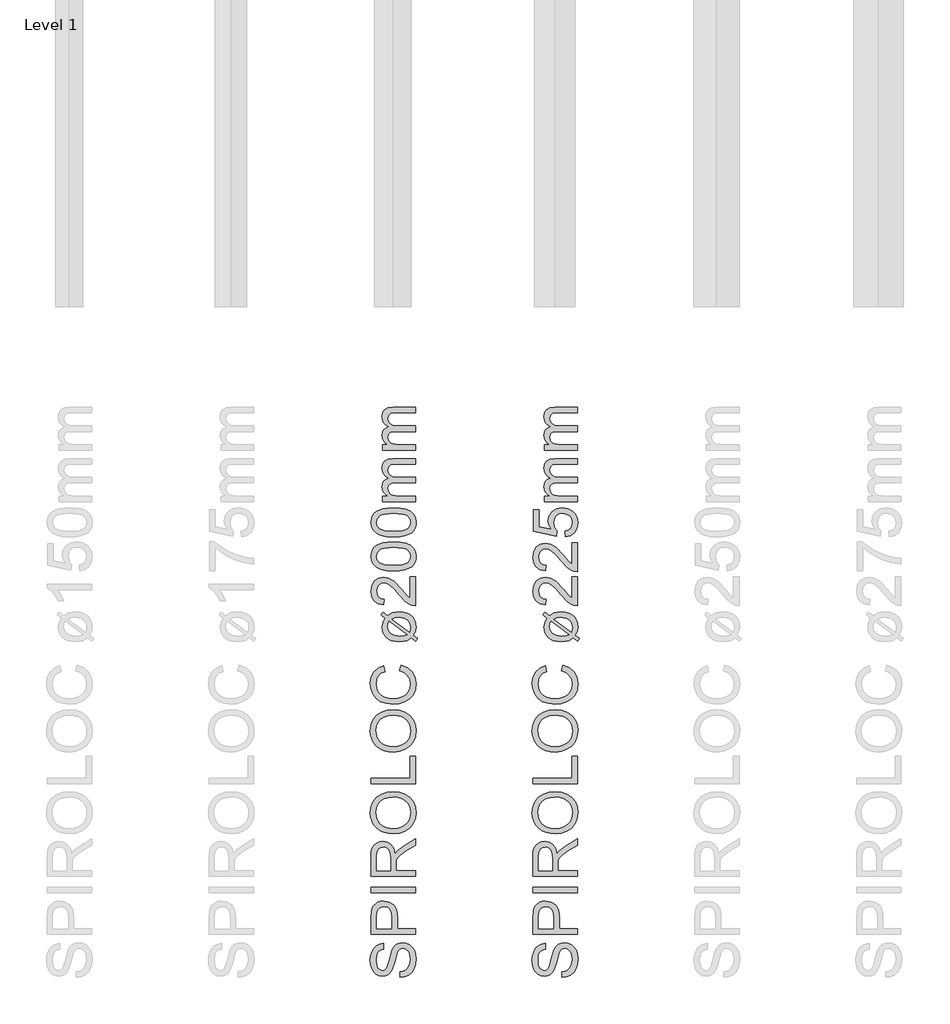
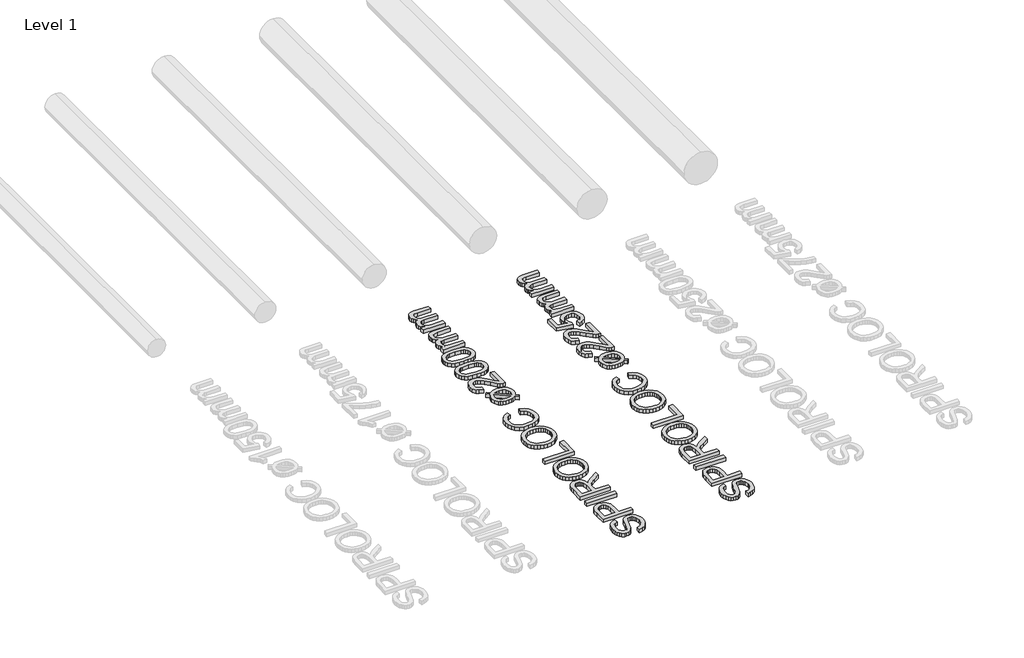
# One storey, part 6 of 19: 2 proxies.
"""IFC4 building model written with IfcOpenShell, lengths in millimetres."""

import ifcopenshell
import ifcopenshell.guid

model = None  # the IFC model being written
_history = None  # IfcOwnerHistory: only IFC2X3 demands one
_inside = {}  # id of a spatial element -> (the spatial element, [elements in it])
_under = {}  # id of a project, library or spatial element -> (it, [spatial elements below it])
_declared = {}  # id of a project -> (the project, [libraries it declares])
_typed = {}  # id of a type object -> (the type object, [elements of that type])
_made_of = {}  # id of a material, layer set ... -> (it, [elements and type objects made of it])


def new_model(schema):
    """Start an empty IFC model of exactly this schema.

    Asked for "IFC4X3", IfcOpenShell would pick the latest addendum, in which some entities
    have other attributes; the version numbers below select the first issue.
    IFC2X3 requires an IfcOwnerHistory on every rooted entity: one is made here for all.
    """
    global model, _history
    if schema == "IFC4X3":
        model = ifcopenshell.file(schema_version=(4, 3, 0, 0))
    else:
        model = ifcopenshell.file(schema=schema)
    _inside.clear()
    _under.clear()
    _declared.clear()
    _typed.clear()
    _made_of.clear()
    _history = None
    if model.schema == "IFC2X3":
        org = make("IfcOrganization", Name="unknown")
        user = make(
            "IfcPersonAndOrganization",
            ThePerson=make("IfcPerson", FamilyName="unknown"),
            TheOrganization=org,
        )
        app = make(
            "IfcApplication",
            ApplicationDeveloper=org,
            Version="unknown",
            ApplicationFullName="unknown",
            ApplicationIdentifier="unknown",
        )
        _history = make(
            "IfcOwnerHistory",
            OwningUser=user,
            OwningApplication=app,
            ChangeAction="ADDED",
            CreationDate=0,
        )
    return model


def make(cls, **values):
    """One entity of the class cls with the attributes given. An attribute that is None is left unset."""
    return model.create_entity(
        cls, **{name: value for name, value in values.items() if value is not None}
    )


def rooted(cls, **values):
    """An entity with a GlobalId (a new one), such as an element, a storey or a relation."""
    return make(cls, GlobalId=ifcopenshell.guid.new(), OwnerHistory=_history, **values)


def si_unit(unit_type, name, prefix=None):
    """IfcSIUnit, for example si_unit("LENGTHUNIT", "METRE", prefix="MILLI")."""
    return make("IfcSIUnit", UnitType=unit_type, Prefix=prefix, Name=name)


def assignment(units):
    """IfcUnitAssignment: the units of a project."""
    return None if units is None else make("IfcUnitAssignment", Units=units)


def point(xyz):
    """IfcCartesianPoint."""
    return None if xyz is None else make("IfcCartesianPoint", Coordinates=xyz)


def direction(xyz):
    """IfcDirection."""
    return None if xyz is None else make("IfcDirection", DirectionRatios=xyz)


def frame(location, z_axis=None, x_axis=None):
    """IfcAxis2Placement3D, a coordinate frame: its origin and axes. An axis left out is left unset."""
    return make(
        "IfcAxis2Placement3D",
        Location=point(location),
        Axis=direction(z_axis),
        RefDirection=direction(x_axis),
    )


def origin():
    """The frame at (0, 0, 0) with its axes left unset."""
    return frame((0.0, 0.0, 0.0))


def origin_with_axes():
    """The frame at (0, 0, 0) with the z axis (0, 0, 1) and the x axis (1, 0, 0) written out."""
    return frame((0.0, 0.0, 0.0), z_axis=(0.0, 0.0, 1.0), x_axis=(1.0, 0.0, 0.0))


def place(relative_to, where):
    """IfcLocalPlacement: puts the frame where relative to a parent placement (None: the world)."""
    return make(
        "IfcLocalPlacement", PlacementRelTo=relative_to, RelativePlacement=where
    )


def context(
    kind, dimensions, precision=None, world=None, true_north=None, identifier=None
):
    """IfcGeometricRepresentationContext, for example the 3D "Model" context."""
    return make(
        "IfcGeometricRepresentationContext",
        ContextIdentifier=identifier,
        ContextType=kind,
        CoordinateSpaceDimension=dimensions,
        Precision=precision,
        WorldCoordinateSystem=world,
        TrueNorth=true_north,
    )


def project(units=None, contexts=None):
    """IfcProject with its units and contexts."""
    return rooted(
        "IfcProject",
        Name="project",
        RepresentationContexts=contexts,
        UnitsInContext=assignment(units),
    )


def spatial(cls, under=None, at=None, **own):
    """A site, building, storey or space (cls), placed at a placement, below another one or the project."""
    s = rooted(cls, ObjectPlacement=at, **own)
    if under is not None:
        _under.setdefault(under.id(), (under, []))[1].append(s)
    return s


def polyline(points):
    """IfcPolyline through the points."""
    return make("IfcPolyline", Points=[point(p) for p in points])


def outline(outer, holes=None, kind="AREA"):
    """IfcArbitraryClosedProfileDef: a profile drawn as a closed curve; with holes, ...WithVoids."""
    if holes is None:
        return make("IfcArbitraryClosedProfileDef", ProfileType=kind, OuterCurve=outer)
    return make(
        "IfcArbitraryProfileDefWithVoids",
        ProfileType=kind,
        OuterCurve=outer,
        InnerCurves=holes,
    )


def extrude(swept, where, along, depth):
    """IfcExtrudedAreaSolid: the profile swept, set in the frame where, extruded along a direction by depth."""
    return make(
        "IfcExtrudedAreaSolid",
        SweptArea=swept,
        Position=where,
        ExtrudedDirection=direction(along),
        Depth=depth,
    )


def shape(context_of_items, identifier, shape_type, items):
    """IfcShapeRepresentation: the items that make up one representation, for example the "Body"."""
    return make(
        "IfcShapeRepresentation",
        ContextOfItems=context_of_items,
        RepresentationIdentifier=identifier,
        RepresentationType=shape_type,
        Items=items,
    )


def made_of(thing, what):
    """Note that an element or type object is made of a material, layer set ...; save() writes the relation."""
    if what is not None:
        _made_of.setdefault(what.id(), (what, []))[1].append(thing)
    return thing


def element(
    cls,
    number,
    at=None,
    inside=None,
    cuts=None,
    type_object=None,
    material=None,
    context=None,
    identifier="Body",
    shape_type=None,
    held_by="IfcProductDefinitionShape",
    body=None,
    shapes=None,
    **own,
):
    """One element of the class cls, such as IfcWall. Its Tag is "e" and its number.

    at: its placement. inside: the storey or other place that contains it. cuts: it is an
    opening in that element (IfcRelVoidsElement). A single representation is given by context,
    identifier, shape_type and body (its items); several are given by shapes. held_by: the class
    of the entity that holds the representations. save() writes the other relations.
    """
    e = rooted(cls, Tag="e%d" % number, ObjectPlacement=at, **own)
    if body is not None:
        shapes = [shape(context, identifier, shape_type, body)]
    if shapes is not None:
        e.Representation = make(held_by, Representations=shapes)
    if inside is not None:
        _inside.setdefault(inside.id(), (inside, []))[1].append(e)
    if cuts is not None:
        rooted(
            "IfcRelVoidsElement", RelatingBuildingElement=cuts, RelatedOpeningElement=e
        )
    if type_object is not None:
        _typed.setdefault(type_object.id(), (type_object, []))[1].append(e)
    return made_of(e, material)


def aggregate(whole, parts):
    """IfcRelAggregates: a whole, such as a stair, and the parts it consists of."""
    return rooted("IfcRelAggregates", RelatingObject=whole, RelatedObjects=parts)


def save(model, path):
    """Write the relations noted so far, then the file.

    IfcRelAggregates (storeys below a building ...), IfcRelContainedInSpatialStructure (elements
    in a storey), IfcRelDefinesByType, IfcRelAssociatesMaterial and IfcRelDeclares: one each for
    every whole, place, type object, material and project.
    """
    for whole, parts in _under.values():
        aggregate(whole, parts)
    for where, things in _inside.values():
        rooted(
            "IfcRelContainedInSpatialStructure",
            RelatedElements=things,
            RelatingStructure=where,
        )
    for kind, things in _typed.values():
        rooted("IfcRelDefinesByType", RelatedObjects=things, RelatingType=kind)
    for what, things in _made_of.values():
        rooted("IfcRelAssociatesMaterial", RelatedObjects=things, RelatingMaterial=what)
    for by, libraries in _declared.values():
        rooted("IfcRelDeclares", RelatingContext=by, RelatedDefinitions=libraries)
    model.write(path)


model = new_model("IFC4")

# Units and contexts
model_context = context("Model", 3, world=origin())
ifc_project = project(units=[si_unit("LENGTHUNIT", "METRE", prefix="MILLI")], contexts=[model_context])

# Site, building, storey
site = spatial("IfcSite", under=ifc_project)
building = spatial("IfcBuilding", under=site)
storey = spatial("IfcBuildingStorey", under=building, Name="Level 1", Elevation=0.0)

# Proxies
placement = place(None, origin())
element("IfcBuildingElementProxy", 1, Name="250mm", ObjectType="250mm", at=placement, inside=storey, context=model_context, shape_type="SweptSolid", body=[
    extrude(outline(polyline([(5116.1889537, -1501.7841772), (5116.1889537, -1471.0149464), (5133.2637734, -1467.4842974), (5146.9882326, -1461.099081), (5157.8806605, -1451.1381435), (5166.4593864, -1436.880331), (5172.0257927, -1419.4524464), (5173.8812614, -1399.9812926), (5168.262271, -1367.8298502), (5161.591598, -1355.6678911), (5152.8175595, -1347.0666291), (5142.7439417, -1341.950944), (5132.1745307, -1340.2457156), (5112.9738095, -1345.3538887), (5105.3791581, -1353.1363406), (5099.0014537, -1366.2673502), (5087.2526557, -1411.0690329), (5072.0783768, -1459.2961964), (5061.7268143, -1474.6132036), (5049.1817422, -1485.4680714), (5034.7135932, -1491.93592), (5018.5927999, -1494.0918695), (5000.5714658, -1491.4251026), (4983.7670787, -1483.4248022), (4969.5242903, -1470.3013046), (4959.1877518, -1452.2649464), (4952.9001917, -1430.615307), (4950.8043383, -1406.6519656), (4952.997848, -1380.6904272), (4959.5783768, -1357.974081), (4970.4107085, -1339.3142252), (4985.3596268, -1325.5221579), (5003.4936412, -1316.7931916), (5023.8812614, -1313.3226387), (5023.8812614, -1344.0918695), (5005.5218864, -1349.7409079), (4992.2706845, -1361.5197541), (4984.247848, -1379.9242012), (4981.5735691, -1405.4500426), (4984.2177999, -1431.5768454), (4992.1504922, -1449.5005233), (5003.8241701, -1459.8671099), (5017.6913576, -1463.3226387), (5029.5152758, -1460.8737204), (5039.0254922, -1453.5269656), (5047.529098, -1436.1591772), (5056.2129922, -1403.286581), (5071.6577037, -1348.8394656), (5082.8205643, -1331.2989007), (5096.5976076, -1319.0618214), (5112.8385932, -1311.872819), (5131.3932807, -1309.4764849), (5150.3611292, -1312.2333959), (5168.2021749, -1320.5041291), (5183.5567422, -1333.9506435), (5195.0651557, -1352.2348983), (5202.2541581, -1374.2225786), (5204.6504922, -1398.7793695), (5202.0663576, -1428.9251026), (5194.3139537, -1453.7373022), (5181.3632326, -1473.5014248), (5163.184146, -1488.5029272), (5141.0387133, -1498.1333358), (5116.1889537, -1501.7841772)])), origin_with_axes(), (0.0, 0.0, 1.0), 30.0),
    extrude(outline(polyline([(5200.8043383, -1263.3226387), (4954.6504922, -1263.3226387), (4954.6504922, -1172.0966772), (4956.9942422, -1135.317831), (4961.3737494, -1118.919093), (4968.5026557, -1105.4199945), (4978.7039778, -1094.5501026), (4992.3007326, -1086.0389849), (5008.3388936, -1080.5401868), (5025.8644345, -1078.7072541), (5054.8758528, -1083.6576748), (5079.0495307, -1098.5089368), (5088.567259, -1110.4023412), (5095.3656364, -1126.2808719), (5099.4446629, -1146.1445287), (5100.8043383, -1169.9933118), (5100.8043383, -1232.5534079), (5200.8043383, -1232.5534079), (5200.8043383, -1263.3226387)]), holes=[polyline([(5070.0351076, -1232.5534079), (5070.0351076, -1168.1904272), (5067.2105883, -1140.9067733), (5058.7370307, -1122.8779272), (5045.1402758, -1112.8268454), (5026.9461653, -1109.4764849), (5013.1240499, -1111.4521459), (5001.465396, -1117.3791291), (4992.6913576, -1126.5212565), (4987.5230883, -1138.1423502), (4985.419723, -1168.911581), (4985.419723, -1232.5534079), (5070.0351076, -1232.5534079)])]), origin_with_axes(), (0.0, 0.0, 1.0), 30.0),
    extrude(outline(polyline([(5200.8043383, -1032.5534079), (4954.6504922, -1032.5534079), (4954.6504922, -1001.7841772), (5200.8043383, -1001.7841772), (5200.8043383, -1032.5534079)])), origin_with_axes(), (0.0, 0.0, 1.0), 30.0),
    extrude(outline(polyline([(5200.8043383, -940.2457156), (4954.6504922, -940.2457156), (4954.6504922, -834.1760041), (4956.3106484, -805.6678911), (4961.2911172, -784.927206), (4970.4858287, -769.7679512), (4984.7887133, -758.0041291), (5002.5245908, -750.4545498), (5022.0182807, -747.9380233), (5046.2670787, -752.107194), (5066.3692422, -764.614706), (5081.1078239, -785.8361603), (5089.2658768, -816.1471579), (5102.4269345, -798.6591772), (5134.0976076, -773.7192733), (5200.8043383, -732.6736002), (5200.8043383, -768.4308118), (5149.7827037, -800.4620618), (5116.0086653, -823.599081), (5100.0531364, -839.8550906), (5094.1937614, -854.4885041), (5093.1120307, -872.3370618), (5093.1120307, -909.4764849), (5200.8043383, -909.4764849), (5200.8043383, -940.2457156)]), holes=[polyline([(5062.3427999, -909.4764849), (5062.3427999, -840.6062926), (5057.9858287, -805.4800906), (5052.3217662, -793.9266051), (5044.043521, -785.5281676), (5034.0299994, -780.4124825), (5023.1601076, -778.7072541), (5008.1510932, -781.9599584), (4996.0567422, -791.7180714), (4988.0789778, -808.5074344), (4985.419723, -832.8538887), (4985.419723, -909.4764849), (5062.3427999, -909.4764849)])]), origin_with_axes(), (0.0, 0.0, 1.0), 30.0),
    extrude(outline(polyline([(5080.9726076, -705.630331), (5052.1001617, -703.5795498), (5026.5405162, -697.427206), (5004.2936713, -687.1732998), (4985.3596268, -672.817831), (4970.2416881, -655.220926), (4959.4431605, -635.2427108), (4952.9640439, -612.8831856), (4950.8043383, -588.1423502), (4954.8608287, -555.8556916), (4967.0302999, -526.9043695), (4986.4563816, -502.8659079), (5012.2827037, -485.317831), (5043.262271, -474.5906676), (5078.1480883, -471.0149464), (5113.4996508, -474.778468), (5144.9149153, -486.0690329), (5170.7863095, -504.2631435), (5189.5062614, -528.7373022), (5200.8644345, -557.4407276), (5204.6504922, -588.3226387), (5200.4662975, -621.1050906), (5187.9137133, -650.2216772), (5168.1270547, -674.2000426), (5142.2406364, -691.567831), (5112.4554802, -702.114706), (5080.9726076, -705.630331)]), holes=[polyline([(5081.2730883, -674.8611002), (5101.6719766, -673.3230143), (5119.7796989, -668.7087565), (5135.5962554, -661.0183268), (5149.121646, -650.2517252), (5159.9539778, -637.1639097), (5167.6913576, -622.5098382), (5172.3337855, -606.2895107), (5173.8812614, -588.5029272), (5172.3187614, -570.4121069), (5167.6312614, -554.0002228), (5159.8187614, -539.2672751), (5148.8812614, -526.2132637), (5135.0704141, -515.5255383), (5118.637872, -507.8914488), (5099.5836352, -503.3109951), (5077.9077037, -501.7841772), (5050.669122, -504.3983599), (5027.1264537, -512.2409079), (5007.8731484, -525.1089969), (4993.5026557, -542.7998022), (4984.5558408, -564.1414488), (4981.5735691, -587.9620618), (4987.3202638, -621.0600185), (5004.560348, -649.2000426), (5017.9749363, -660.4267553), (5035.2319225, -668.4458358), (5056.3313065, -673.2572841), (5081.2730883, -674.8611002)])]), origin_with_axes(), (0.0, 0.0, 1.0), 30.0),
    extrude(outline(polyline([(5200.8043383, -428.7072541), (4954.6504922, -428.7072541), (4954.6504922, -397.9380233), (5170.0351076, -397.9380233), (5170.0351076, -274.8611002), (5200.8043383, -274.8611002), (5200.8043383, -428.7072541)])), origin_with_axes(), (0.0, 0.0, 1.0), 30.0),
    extrude(outline(polyline([(5080.9726076, -251.7841772), (5052.1001617, -249.7333959), (5026.5405162, -243.5810522), (5004.2936713, -233.3271459), (4985.3596268, -218.9716772), (4970.2416881, -201.3747721), (4959.4431605, -181.396557), (4952.9640439, -159.0370317), (4950.8043383, -134.2961964), (4954.8608287, -102.0095377), (4967.0302999, -73.0582156), (4986.4563816, -49.0197541), (5012.2827037, -31.4716772), (5043.262271, -20.7445137), (5078.1480883, -17.1687926), (5113.4996508, -20.9323142), (5144.9149153, -32.2228791), (5170.7863095, -50.4169897), (5189.5062614, -74.8911483), (5200.8644345, -103.5945738), (5204.6504922, -134.4764849), (5200.4662975, -167.2589368), (5187.9137133, -196.3755233), (5168.1270547, -220.3538887), (5142.2406364, -237.7216772), (5112.4554802, -248.2685522), (5080.9726076, -251.7841772)]), holes=[polyline([(5081.2730883, -221.0149464), (5101.6719766, -219.4768605), (5119.7796989, -214.8626026), (5135.5962554, -207.172173), (5149.121646, -196.4055714), (5159.9539778, -183.3177559), (5167.6913576, -168.6636844), (5172.3337855, -152.4433569), (5173.8812614, -134.6567733), (5172.3187614, -116.565953), (5167.6312614, -100.154069), (5159.8187614, -85.4211213), (5148.8812614, -72.3671099), (5135.0704141, -61.6793845), (5118.637872, -54.045295), (5099.5836352, -49.4648412), (5077.9077037, -47.9380233), (5050.669122, -50.552206), (5027.1264537, -58.3947541), (5007.8731484, -71.262843), (4993.5026557, -88.9536483), (4984.5558408, -110.295295), (4981.5735691, -134.1159079), (4987.3202638, -167.2138647), (5004.560348, -195.3538887), (5017.9749363, -206.5806014), (5035.2319225, -214.599682), (5056.3313065, -219.4111303), (5081.2730883, -221.0149464)])]), origin_with_axes(), (0.0, 0.0, 1.0), 30.0),
    extrude(outline(polyline([(5113.3043383, 198.2158228), (5121.2370307, 228.9850536), (5157.0918984, 214.7873373), (5183.2863095, 192.5066882), (5199.3094465, 163.2398613), (5204.6504922, 128.0836113), (5200.6090258, 92.3940079), (5188.4846268, 64.0511594), (5168.6979682, 42.3263998), (5141.669723, 26.4910632), (5109.8938816, 16.8230945), (5075.8644345, 13.6004382), (5039.9720066, 17.2437675), (5008.9774153, 28.1737555), (4983.864735, 45.8194887), (4965.6180403, 69.6100536), (4954.5077638, 97.8251978), (4950.8043383, 128.744669), (4955.5970066, 162.4811474), (4969.9750114, 190.3732748), (4993.0519345, 211.549657), (5023.9413576, 225.1388998), (5031.2730883, 194.369669), (5008.8346869, 183.7026017), (4993.4425595, 169.1292844), (4984.5408167, 150.4694286), (4981.5735691, 127.5427459), (4984.8638335, 101.1154623), (4994.7346268, 79.4057267), (5010.1492903, 62.9318685), (5030.0711653, 52.2122171), (5052.5921989, 46.330306), (5075.8043383, 44.369669), (5104.2298191, 46.6908829), (5128.809146, 53.6545248), (5148.6033167, 65.5235151), (5162.6733287, 82.5607748), (5171.0792783, 102.985955), (5173.8812614, 125.0187074), (5170.0651557, 150.7023012), (5158.6168383, 172.104044), (5139.6565018, 188.2623974), (5113.3043383, 198.2158228)])), origin_with_axes(), (0.0, 0.0, 1.0), 30.0),
    extrude(outline(polyline([(5033.7370307, 490.2831305), (5009.4581845, 508.6725536), (5020.6360691, 523.3360151), (5046.0567422, 504.0451498), (5072.3187614, 519.5499574), (5111.5014537, 525.1388998), (5135.044122, 523.3923553), (5155.2514537, 518.1527219), (5172.1234489, 509.4199995), (5185.6601076, 497.1941882), (5199.902896, 472.2092123), (5204.6504922, 442.5667844), (5200.6090258, 417.822193), (5188.4846268, 396.1124574), (5212.3427999, 378.0235151), (5201.4052999, 363.119669), (5178.6288576, 380.4273613), (5155.4317422, 366.4249574), (5135.6300595, 361.4219526), (5113.3644345, 359.7542844), (5089.4780914, 361.2717123), (5069.1411773, 365.8239959), (5052.3536923, 373.4111353), (5039.1156364, 384.0331305), (5021.9206244, 410.4303661), (5016.1889537, 441.0643805), (5020.4257326, 466.0042844), (5033.7370307, 490.2831305)]), holes=[polyline([(5055.6120307, 473.6965921), (5049.121646, 458.3119767), (5046.9581845, 442.2062074), (5051.1123311, 421.9988757), (5063.574771, 405.3672651), (5084.25536, 394.2344526), (5113.0639537, 390.5235151), (5135.4798191, 392.6719526), (5153.9293383, 399.1172651), (5055.6120307, 473.6965921)]), polyline([(5070.996646, 485.1749574), (5168.7730883, 411.0163036), (5173.8812614, 440.5836113), (5169.817259, 461.9177459), (5157.6252518, 479.1653421), (5137.3202638, 490.5685873), (5108.9173191, 494.369669), (5087.7033768, 492.025919), (5070.996646, 485.1749574)])]), origin_with_axes(), (0.0, 0.0, 1.0), 30.0),
    extrude(outline(polyline([(5170.0351076, 721.2927459), (5200.8043383, 721.2927459), (5200.8043383, 559.7542844), (5179.590396, 563.0595728), (5163.0113696, 570.6467123), (5146.9281364, 581.7494767), (5111.2610691, 620.2711113), (5081.7688816, 653.4742363), (5059.9990499, 673.3961113), (5042.3307807, 683.3570488), (5025.1432807, 686.6773613), (5009.7361292, 683.5448493), (4996.9281364, 674.1473132), (4988.2968263, 659.7017002), (4985.419723, 641.4249574), (4988.2292182, 622.2317483), (4996.6577037, 607.3203901), (5010.044122, 597.6974935), (5027.7274153, 594.369669), (5023.8812614, 563.6004382), (4994.1186412, 571.0598733), (4972.3788576, 587.1881786), (4959.0825835, 611.1440079), (4954.6504922, 642.0860151), (4959.5783768, 673.2533829), (4974.3620307, 697.1641401), (4996.4473672, 712.3759791), (5023.2802999, 717.4465921), (5052.4569826, 711.9778421), (5082.6252518, 693.7987555), (5124.7827037, 649.7182267), (5154.3800595, 614.3215921), (5170.0351076, 600.4393805), (5170.0351076, 721.2927459)])), origin_with_axes(), (0.0, 0.0, 1.0), 30.0),
    extrude(outline(polyline([(5079.7105883, 752.0619767), (5040.3100475, 754.3230945), (5008.887271, 761.1064478), (4984.9614898, 772.3444286), (4968.0519345, 787.9694286), (4958.0008528, 808.0941281), (4954.6504922, 832.8312074), (4956.6336653, 851.791544), (4962.5831845, 868.7687074), (4972.2661773, 882.9664238), (4985.449771, 893.588419), (5021.8680403, 908.0114959), (5047.0708648, 912.2032026), (5079.7105883, 913.6004382), (5118.8857686, 911.3618565), (5150.2334249, 904.6461113), (5174.1817422, 893.4757387), (5191.1589057, 877.8732748), (5201.2775956, 857.7035031), (5204.6504922, 832.8312074), (5203.1856484, 815.8840921), (5198.7911172, 800.8600536), (5191.4668984, 787.7590921), (5181.2129922, 776.5812074), (5162.6770847, 765.854044), (5139.5813816, 758.1917844), (5111.9258828, 753.5944286), (5079.7105883, 752.0619767)]), holes=[polyline([(5079.6504922, 782.8312074), (5128.0504321, 786.4369767), (5144.6050445, 790.9441882), (5156.0627518, 797.2542844), (5169.426634, 813.3600536), (5173.8812614, 832.8312074), (5169.41161, 852.3023613), (5156.0026557, 868.4081305), (5144.5261683, 874.7182267), (5127.9753119, 879.2254382), (5079.6504922, 882.8312074), (5032.3397951, 879.3456305), (5015.8396448, 874.9886594), (5004.1096268, 868.8888998), (4990.0921989, 852.8131786), (4985.419723, 832.4706305), (4989.5363095, 813.2098132), (5001.8860691, 797.7350536), (5014.6565018, 791.2146209), (5031.8740499, 786.557169), (5079.6504922, 782.8312074)])]), origin_with_axes(), (0.0, 0.0, 1.0), 30.0),
    extrude(outline(polyline([(5079.7105883, 940.5235151), (5040.3100475, 942.7846329), (5008.887271, 949.5679863), (4984.9614898, 960.8059671), (4968.0519345, 976.4309671), (4958.0008528, 996.5556666), (4954.6504922, 1021.2927459), (4956.6336653, 1040.2530824), (4962.5831845, 1057.2302459), (4972.2661773, 1071.4279623), (4985.449771, 1082.0499574), (5021.8680403, 1096.4730344), (5047.0708648, 1100.6647411), (5079.7105883, 1102.0619767), (5118.8857686, 1099.8233949), (5150.2334249, 1093.1076498), (5174.1817422, 1081.9372772), (5191.1589057, 1066.3348132), (5201.2775956, 1046.1650416), (5204.6504922, 1021.2927459), (5203.1856484, 1004.3456305), (5198.7911172, 989.3215921), (5191.4668984, 976.2206305), (5181.2129922, 965.0427459), (5162.6770847, 954.3155824), (5139.5813816, 946.6533228), (5111.9258828, 942.0559671), (5079.7105883, 940.5235151)]), holes=[polyline([(5079.6504922, 971.2927459), (5128.0504321, 974.8985151), (5144.6050445, 979.4057267), (5156.0627518, 985.7158228), (5169.426634, 1001.8215921), (5173.8812614, 1021.2927459), (5169.41161, 1040.7638998), (5156.0026557, 1056.869669), (5144.5261683, 1063.1797651), (5127.9753119, 1067.6869767), (5079.6504922, 1071.2927459), (5032.3397951, 1067.807169), (5015.8396448, 1063.4501978), (5004.1096268, 1057.3504382), (4990.0921989, 1041.2747171), (4985.419723, 1020.932169), (4989.5363095, 1001.6713517), (5001.8860691, 986.1965921), (5014.6565018, 979.6761594), (5031.8740499, 975.0187074), (5079.6504922, 971.2927459)])]), origin_with_axes(), (0.0, 0.0, 1.0), 30.0),
    extrude(outline(polyline([(5200.8043383, 1136.6773613), (5020.0351076, 1136.6773613), (5020.0351076, 1167.4465921), (5049.7827037, 1167.4465921), (5036.1183408, 1176.7013998), (5025.4137133, 1188.6004382), (5018.4951436, 1202.7380584), (5016.1889537, 1218.7086113), (5018.5402158, 1235.8209911), (5025.5940018, 1249.5379382), (5036.8845667, 1259.7843324), (5051.9461653, 1266.4850536), (5036.3023852, 1277.7004983), (5025.1282566, 1290.4934671), (5018.4237795, 1304.8639599), (5016.1889537, 1320.8119767), (5019.9074033, 1343.9414839), (5031.0627518, 1361.0463517), (5049.9554802, 1371.6157627), (5076.8860691, 1375.1388998), (5200.8043383, 1375.1388998), (5200.8043383, 1344.369669), (5090.107223, 1344.369669), (5064.4161172, 1341.5151017), (5051.7658768, 1331.1785632), (5046.9581845, 1313.6004382), (5050.0381124, 1296.9312675), (5059.277896, 1283.3420248), (5075.3085451, 1274.3050656), (5098.7610691, 1271.2927459), (5200.8043383, 1271.2927459), (5200.8043383, 1240.5235151), (5086.6817422, 1240.5235151), (5069.2839057, 1238.7431666), (5056.8740499, 1233.4021209), (5049.4371508, 1224.0045849), (5046.9581845, 1210.0547651), (5048.6108287, 1198.2007988), (5053.5687614, 1187.2783228), (5061.7117903, 1178.2638998), (5072.919723, 1172.1340921), (5109.638473, 1167.4465921), (5200.8043383, 1167.4465921), (5200.8043383, 1136.6773613)])), origin_with_axes(), (0.0, 0.0, 1.0), 30.0),
    extrude(outline(polyline([(5200.8043383, 1421.2927459), (5020.0351076, 1421.2927459), (5020.0351076, 1452.0619767), (5049.7827037, 1452.0619767), (5036.1183408, 1461.3167844), (5025.4137133, 1473.2158228), (5018.4951436, 1487.353443), (5016.1889537, 1503.3239959), (5018.5402158, 1520.4363757), (5025.5940018, 1534.1533228), (5036.8845667, 1544.3997171), (5051.9461653, 1551.1004382), (5036.3023852, 1562.3158829), (5025.1282566, 1575.1088517), (5018.4237795, 1589.4793445), (5016.1889537, 1605.4273613), (5019.9074033, 1628.5568685), (5031.0627518, 1645.6617363), (5049.9554802, 1656.2311474), (5076.8860691, 1659.7542844), (5200.8043383, 1659.7542844), (5200.8043383, 1628.9850536), (5090.107223, 1628.9850536), (5064.4161172, 1626.1304863), (5051.7658768, 1615.7939478), (5046.9581845, 1598.2158228), (5050.0381124, 1581.5466522), (5059.277896, 1567.9574094), (5075.3085451, 1558.9204502), (5098.7610691, 1555.9081305), (5200.8043383, 1555.9081305), (5200.8043383, 1525.1388998), (5086.6817422, 1525.1388998), (5069.2839057, 1523.3585512), (5056.8740499, 1518.0175055), (5049.4371508, 1508.6199695), (5046.9581845, 1494.6701498), (5048.6108287, 1482.8161834), (5053.5687614, 1471.8937074), (5061.7117903, 1462.8792844), (5072.919723, 1456.7494767), (5109.638473, 1452.0619767), (5200.8043383, 1452.0619767), (5200.8043383, 1421.2927459)])), origin_with_axes(), (0.0, 0.0, 1.0), 30.0),
])
element("IfcBuildingElementProxy", 2, Name="250mm", ObjectType="250mm", at=placement, inside=storey, context=model_context, shape_type="SweptSolid", body=[
    extrude(outline(polyline([(6014.2658768, -1501.7841772), (6014.2658768, -1471.0149464), (6031.3406965, -1467.4842974), (6045.0651557, -1461.099081), (6055.9575835, -1451.1381435), (6064.5363095, -1436.880331), (6070.1027158, -1419.4524464), (6071.9581845, -1399.9812926), (6066.3391941, -1367.8298502), (6059.668521, -1355.6678911), (6050.8944826, -1347.0666291), (6040.8208648, -1341.950944), (6030.2514537, -1340.2457156), (6011.0507326, -1345.3538887), (6003.4560811, -1353.1363406), (5997.0783768, -1366.2673502), (5985.3295787, -1411.0690329), (5970.1552999, -1459.2961964), (5959.8037374, -1474.6132036), (5947.2586653, -1485.4680714), (5932.7905162, -1491.93592), (5916.669723, -1494.0918695), (5898.6483888, -1491.4251026), (5881.8440018, -1483.4248022), (5867.6012133, -1470.3013046), (5857.2646749, -1452.2649464), (5850.9771148, -1430.615307), (5848.8812614, -1406.6519656), (5851.074771, -1380.6904272), (5857.6552999, -1357.974081), (5868.4876316, -1339.3142252), (5883.4365499, -1325.5221579), (5901.5705643, -1316.7931916), (5921.9581845, -1313.3226387), (5921.9581845, -1344.0918695), (5903.5988095, -1349.7409079), (5890.3476076, -1361.5197541), (5882.324771, -1379.9242012), (5879.6504922, -1405.4500426), (5882.294723, -1431.5768454), (5890.2274153, -1449.5005233), (5901.9010932, -1459.8671099), (5915.7682807, -1463.3226387), (5927.5921989, -1460.8737204), (5937.1024153, -1453.5269656), (5945.606021, -1436.1591772), (5954.2899153, -1403.286581), (5969.7346268, -1348.8394656), (5980.8974874, -1331.2989007), (5994.6745307, -1319.0618214), (6010.9155162, -1311.872819), (6029.4702037, -1309.4764849), (6048.4380523, -1312.2333959), (6066.279098, -1320.5041291), (6081.6336653, -1333.9506435), (6093.1420787, -1352.2348983), (6100.3310811, -1374.2225786), (6102.7274153, -1398.7793695), (6100.1432807, -1428.9251026), (6092.3908768, -1453.7373022), (6079.4401557, -1473.5014248), (6061.2610691, -1488.5029272), (6039.1156364, -1498.1333358), (6014.2658768, -1501.7841772)])), origin_with_axes(), (0.0, 0.0, 1.0), 30.0),
    extrude(outline(polyline([(6098.8812614, -1263.3226387), (5852.7274153, -1263.3226387), (5852.7274153, -1172.0966772), (5855.0711653, -1135.317831), (5859.4506725, -1118.919093), (5866.5795787, -1105.4199945), (5876.7809008, -1094.5501026), (5890.3776557, -1086.0389849), (5906.4158167, -1080.5401868), (5923.9413576, -1078.7072541), (5952.9527758, -1083.6576748), (5977.1264537, -1098.5089368), (5986.6441821, -1110.4023412), (5993.4425595, -1126.2808719), (5997.5215859, -1146.1445287), (5998.8812614, -1169.9933118), (5998.8812614, -1232.5534079), (6098.8812614, -1232.5534079), (6098.8812614, -1263.3226387)]), holes=[polyline([(5968.1120307, -1232.5534079), (5968.1120307, -1168.1904272), (5965.2875114, -1140.9067733), (5956.8139537, -1122.8779272), (5943.2171989, -1112.8268454), (5925.0230883, -1109.4764849), (5911.200973, -1111.4521459), (5899.5423191, -1117.3791291), (5890.7682807, -1126.5212565), (5885.6000114, -1138.1423502), (5883.496646, -1168.911581), (5883.496646, -1232.5534079), (5968.1120307, -1232.5534079)])]), origin_with_axes(), (0.0, 0.0, 1.0), 30.0),
    extrude(outline(polyline([(6098.8812614, -1032.5534079), (5852.7274153, -1032.5534079), (5852.7274153, -1001.7841772), (6098.8812614, -1001.7841772), (6098.8812614, -1032.5534079)])), origin_with_axes(), (0.0, 0.0, 1.0), 30.0),
    extrude(outline(polyline([(6098.8812614, -940.2457156), (5852.7274153, -940.2457156), (5852.7274153, -834.1760041), (5854.3875715, -805.6678911), (5859.3680403, -784.927206), (5868.5627518, -769.7679512), (5882.8656364, -758.0041291), (5900.6015138, -750.4545498), (5920.0952037, -747.9380233), (5944.3440018, -752.107194), (5964.4461653, -764.614706), (5979.184747, -785.8361603), (5987.3427999, -816.1471579), (6000.5038576, -798.6591772), (6032.1745307, -773.7192733), (6098.8812614, -732.6736002), (6098.8812614, -768.4308118), (6047.8596268, -800.4620618), (6014.0855883, -823.599081), (5998.1300595, -839.8550906), (5992.2706845, -854.4885041), (5991.1889537, -872.3370618), (5991.1889537, -909.4764849), (6098.8812614, -909.4764849), (6098.8812614, -940.2457156)]), holes=[polyline([(5960.419723, -909.4764849), (5960.419723, -840.6062926), (5956.0627518, -805.4800906), (5950.3986893, -793.9266051), (5942.1204441, -785.5281676), (5932.1069225, -780.4124825), (5921.2370307, -778.7072541), (5906.2280162, -781.9599584), (5894.1336653, -791.7180714), (5886.1559008, -808.5074344), (5883.496646, -832.8538887), (5883.496646, -909.4764849), (5960.419723, -909.4764849)])]), origin_with_axes(), (0.0, 0.0, 1.0), 30.0),
    extrude(outline(polyline([(5979.0495307, -705.630331), (5950.1770847, -703.5795498), (5924.6174393, -697.427206), (5902.3705944, -687.1732998), (5883.4365499, -672.817831), (5868.3186112, -655.220926), (5857.5200835, -635.2427108), (5851.040967, -612.8831856), (5848.8812614, -588.1423502), (5852.9377518, -555.8556916), (5865.107223, -526.9043695), (5884.5333047, -502.8659079), (5910.3596268, -485.317831), (5941.3391941, -474.5906676), (5976.2250114, -471.0149464), (6011.5765739, -474.778468), (6042.9918383, -486.0690329), (6068.8632326, -504.2631435), (6087.5831845, -528.7373022), (6098.9413576, -557.4407276), (6102.7274153, -588.3226387), (6098.5432206, -621.1050906), (6085.9906364, -650.2216772), (6066.2039778, -674.2000426), (6040.3175595, -691.567831), (6010.5324033, -702.114706), (5979.0495307, -705.630331)]), holes=[polyline([(5979.3500114, -674.8611002), (5999.7488996, -673.3230143), (6017.856622, -668.7087565), (6033.6731785, -661.0183268), (6047.1985691, -650.2517252), (6058.0309008, -637.1639097), (6065.7682807, -622.5098382), (6070.4107085, -606.2895107), (6071.9581845, -588.5029272), (6070.3956845, -570.4121069), (6065.7081845, -554.0002228), (6057.8956845, -539.2672751), (6046.9581845, -526.2132637), (6033.1473371, -515.5255383), (6016.7147951, -507.8914488), (5997.6605583, -503.3109951), (5975.9846268, -501.7841772), (5948.7460451, -504.3983599), (5925.2033768, -512.2409079), (5905.9500715, -525.1089969), (5891.5795787, -542.7998022), (5882.6327638, -564.1414488), (5879.6504922, -587.9620618), (5885.3971869, -621.0600185), (5902.637271, -649.2000426), (5916.0518594, -660.4267553), (5933.3088456, -668.4458358), (5954.4082296, -673.2572841), (5979.3500114, -674.8611002)])]), origin_with_axes(), (0.0, 0.0, 1.0), 30.0),
    extrude(outline(polyline([(6098.8812614, -428.7072541), (5852.7274153, -428.7072541), (5852.7274153, -397.9380233), (6068.1120307, -397.9380233), (6068.1120307, -274.8611002), (6098.8812614, -274.8611002), (6098.8812614, -428.7072541)])), origin_with_axes(), (0.0, 0.0, 1.0), 30.0),
    extrude(outline(polyline([(5979.0495307, -251.7841772), (5950.1770847, -249.7333959), (5924.6174393, -243.5810522), (5902.3705944, -233.3271459), (5883.4365499, -218.9716772), (5868.3186112, -201.3747721), (5857.5200835, -181.396557), (5851.040967, -159.0370317), (5848.8812614, -134.2961964), (5852.9377518, -102.0095377), (5865.107223, -73.0582156), (5884.5333047, -49.0197541), (5910.3596268, -31.4716772), (5941.3391941, -20.7445137), (5976.2250114, -17.1687926), (6011.5765739, -20.9323142), (6042.9918383, -32.2228791), (6068.8632326, -50.4169897), (6087.5831845, -74.8911483), (6098.9413576, -103.5945738), (6102.7274153, -134.4764849), (6098.5432206, -167.2589368), (6085.9906364, -196.3755233), (6066.2039778, -220.3538887), (6040.3175595, -237.7216772), (6010.5324033, -248.2685522), (5979.0495307, -251.7841772)]), holes=[polyline([(5979.3500114, -221.0149464), (5999.7488996, -219.4768605), (6017.856622, -214.8626026), (6033.6731785, -207.172173), (6047.1985691, -196.4055714), (6058.0309008, -183.3177559), (6065.7682807, -168.6636844), (6070.4107085, -152.4433569), (6071.9581845, -134.6567733), (6070.3956845, -116.565953), (6065.7081845, -100.154069), (6057.8956845, -85.4211213), (6046.9581845, -72.3671099), (6033.1473371, -61.6793845), (6016.7147951, -54.045295), (5997.6605583, -49.4648412), (5975.9846268, -47.9380233), (5948.7460451, -50.552206), (5925.2033768, -58.3947541), (5905.9500715, -71.262843), (5891.5795787, -88.9536483), (5882.6327638, -110.295295), (5879.6504922, -134.1159079), (5885.3971869, -167.2138647), (5902.637271, -195.3538887), (5916.0518594, -206.5806014), (5933.3088456, -214.599682), (5954.4082296, -219.4111303), (5979.3500114, -221.0149464)])]), origin_with_axes(), (0.0, 0.0, 1.0), 30.0),
    extrude(outline(polyline([(6011.3812614, 198.2158228), (6019.3139537, 228.9850536), (6055.1688215, 214.7873373), (6081.3632326, 192.5066882), (6097.3863696, 163.2398613), (6102.7274153, 128.0836113), (6098.6859489, 92.3940079), (6086.5615499, 64.0511594), (6066.7748912, 42.3263998), (6039.746646, 26.4910632), (6007.9708047, 16.8230945), (5973.9413576, 13.6004382), (5938.0489297, 17.2437675), (5907.0543383, 28.1737555), (5881.9416581, 45.8194887), (5863.6949633, 69.6100536), (5852.5846869, 97.8251978), (5848.8812614, 128.744669), (5853.6739297, 162.4811474), (5868.0519345, 190.3732748), (5891.1288576, 211.549657), (5922.0182807, 225.1388998), (5929.3500114, 194.369669), (5906.91161, 183.7026017), (5891.5194826, 169.1292844), (5882.6177398, 150.4694286), (5879.6504922, 127.5427459), (5882.9407566, 101.1154623), (5892.8115499, 79.4057267), (5908.2262133, 62.9318685), (5928.1480883, 52.2122171), (5950.669122, 46.330306), (5973.8812614, 44.369669), (6002.3067422, 46.6908829), (6026.8860691, 53.6545248), (6046.6802398, 65.5235151), (6060.7502518, 82.5607748), (6069.1562013, 102.985955), (6071.9581845, 125.0187074), (6068.1420787, 150.7023012), (6056.6937614, 172.104044), (6037.7334249, 188.2623974), (6011.3812614, 198.2158228)])), origin_with_axes(), (0.0, 0.0, 1.0), 30.0),
    extrude(outline(polyline([(5931.8139537, 490.2831305), (5907.5351076, 508.6725536), (5918.7129922, 523.3360151), (5944.1336653, 504.0451498), (5970.3956845, 519.5499574), (6009.5783768, 525.1388998), (6033.1210451, 523.3923553), (6053.3283768, 518.1527219), (6070.200372, 509.4199995), (6083.7370307, 497.1941882), (6097.9798191, 472.2092123), (6102.7274153, 442.5667844), (6098.6859489, 417.822193), (6086.5615499, 396.1124574), (6110.419723, 378.0235151), (6099.482223, 363.119669), (6076.7057807, 380.4273613), (6053.5086653, 366.4249574), (6033.7069826, 361.4219526), (6011.4413576, 359.7542844), (5987.5550144, 361.2717123), (5967.2181004, 365.8239959), (5950.4306154, 373.4111353), (5937.1925595, 384.0331305), (5919.9975475, 410.4303661), (5914.2658768, 441.0643805), (5918.5026557, 466.0042844), (5931.8139537, 490.2831305)]), holes=[polyline([(5953.6889537, 473.6965921), (5947.1985691, 458.3119767), (5945.0351076, 442.2062074), (5949.1892542, 421.9988757), (5961.6516941, 405.3672651), (5982.3322831, 394.2344526), (6011.1408768, 390.5235151), (6033.5567422, 392.6719526), (6052.0062614, 399.1172651), (5953.6889537, 473.6965921)]), polyline([(5969.0735691, 485.1749574), (6066.8500114, 411.0163036), (6071.9581845, 440.5836113), (6067.8941821, 461.9177459), (6055.7021749, 479.1653421), (6035.3971869, 490.5685873), (6006.9942422, 494.369669), (5985.7802999, 492.025919), (5969.0735691, 485.1749574)])]), origin_with_axes(), (0.0, 0.0, 1.0), 30.0),
    extrude(outline(polyline([(6068.1120307, 721.2927459), (6098.8812614, 721.2927459), (6098.8812614, 559.7542844), (6077.6673191, 563.0595728), (6061.0882927, 570.6467123), (6045.0050595, 581.7494767), (6009.3379922, 620.2711113), (5979.8458047, 653.4742363), (5958.075973, 673.3961113), (5940.4077037, 683.3570488), (5923.2202037, 686.6773613), (5907.8130523, 683.5448493), (5895.0050595, 674.1473132), (5886.3737494, 659.7017002), (5883.496646, 641.4249574), (5886.3061412, 622.2317483), (5894.7346268, 607.3203901), (5908.1210451, 597.6974935), (5925.8043383, 594.369669), (5921.9581845, 563.6004382), (5892.1955643, 571.0598733), (5870.4557807, 587.1881786), (5857.1595066, 611.1440079), (5852.7274153, 642.0860151), (5857.6552999, 673.2533829), (5872.4389537, 697.1641401), (5894.5242903, 712.3759791), (5921.357223, 717.4465921), (5950.5339057, 711.9778421), (5980.7021749, 693.7987555), (6022.8596268, 649.7182267), (6052.4569826, 614.3215921), (6068.1120307, 600.4393805), (6068.1120307, 721.2927459)])), origin_with_axes(), (0.0, 0.0, 1.0), 30.0),
    extrude(outline(polyline([(6068.1120307, 909.7542844), (6098.8812614, 909.7542844), (6098.8812614, 748.2158228), (6077.6673191, 751.5211113), (6061.0882927, 759.1082507), (6045.0050595, 770.2110151), (6009.3379922, 808.7326498), (5979.8458047, 841.9357748), (5958.075973, 861.8576498), (5940.4077037, 871.8185873), (5923.2202037, 875.1388998), (5907.8130523, 872.0063877), (5895.0050595, 862.6088517), (5886.3737494, 848.1632387), (5883.496646, 829.8864959), (5886.3061412, 810.6932868), (5894.7346268, 795.7819286), (5908.1210451, 786.159032), (5925.8043383, 782.8312074), (5921.9581845, 752.0619767), (5892.1955643, 759.5214118), (5870.4557807, 775.6497171), (5857.1595066, 799.6055464), (5852.7274153, 830.5475536), (5857.6552999, 861.7149214), (5872.4389537, 885.6256786), (5894.5242903, 900.8375175), (5921.357223, 905.9081305), (5950.5339057, 900.4393805), (5980.7021749, 882.260294), (6022.8596268, 838.1797651), (6052.4569826, 802.7831305), (6068.1120307, 788.900919), (6068.1120307, 909.7542844)])), origin_with_axes(), (0.0, 0.0, 1.0), 30.0),
    extrude(outline(polyline([(6033.496646, 940.5235151), (6029.6504922, 971.2927459), (6048.1225475, 976.9417844), (6061.3512133, 986.7975536), (6069.3064417, 1000.8149815), (6071.9581845, 1018.9489959), (6068.2697831, 1041.0042844), (6057.2045787, 1057.5307267), (6040.0396148, 1067.8522411), (6018.0519345, 1071.2927459), (5997.3488095, 1068.0700897), (5981.513473, 1058.4021209), (5971.4623912, 1042.2137195), (5968.1120307, 1019.4297651), (5973.4605883, 992.416544), (5987.3427999, 975.1388998), (5983.496646, 944.369669), (5856.5735691, 971.2927459), (5856.5735691, 1090.5235151), (5887.3427999, 1090.5235151), (5887.3427999, 996.1725536), (5955.1312614, 983.0114959), (5941.7899153, 1004.9916642), (5937.3427999, 1028.0235151), (5942.856622, 1056.7720127), (5959.3980883, 1080.6376978), (5984.6084249, 1096.705907), (6016.1288576, 1102.0619767), (6046.8980883, 1097.2392603), (6073.2202037, 1082.7711113), (6086.1296088, 1069.9856546), (6095.3506124, 1055.0667844), (6100.8832145, 1038.0145007), (6102.7274153, 1018.8288036), (6097.9873311, 988.6079502), (6083.7670787, 964.5319286), (6061.7193023, 948.0280224), (6033.496646, 940.5235151)])), origin_with_axes(), (0.0, 0.0, 1.0), 30.0),
    extrude(outline(polyline([(6098.8812614, 1136.6773613), (5918.1120307, 1136.6773613), (5918.1120307, 1167.4465921), (5947.8596268, 1167.4465921), (5934.1952638, 1176.7013998), (5923.4906364, 1188.6004382), (5916.5720667, 1202.7380584), (5914.2658768, 1218.7086113), (5916.6171388, 1235.8209911), (5923.6709249, 1249.5379382), (5934.9614898, 1259.7843324), (5950.0230883, 1266.4850536), (5934.3793083, 1277.7004983), (5923.2051797, 1290.4934671), (5916.5007025, 1304.8639599), (5914.2658768, 1320.8119767), (5917.9843263, 1343.9414839), (5929.1396749, 1361.0463517), (5948.0324033, 1371.6157627), (5974.9629922, 1375.1388998), (6098.8812614, 1375.1388998), (6098.8812614, 1344.369669), (5988.184146, 1344.369669), (5962.4930403, 1341.5151017), (5949.8427999, 1331.1785632), (5945.0351076, 1313.6004382), (5948.1150355, 1296.9312675), (5957.3548191, 1283.3420248), (5973.3854682, 1274.3050656), (5996.8379922, 1271.2927459), (6098.8812614, 1271.2927459), (6098.8812614, 1240.5235151), (5984.7586653, 1240.5235151), (5967.3608287, 1238.7431666), (5954.950973, 1233.4021209), (5947.5140739, 1224.0045849), (5945.0351076, 1210.0547651), (5946.6877518, 1198.2007988), (5951.6456845, 1187.2783228), (5959.7887133, 1178.2638998), (5970.996646, 1172.1340921), (6007.715396, 1167.4465921), (6098.8812614, 1167.4465921), (6098.8812614, 1136.6773613)])), origin_with_axes(), (0.0, 0.0, 1.0), 30.0),
    extrude(outline(polyline([(6098.8812614, 1421.2927459), (5918.1120307, 1421.2927459), (5918.1120307, 1452.0619767), (5947.8596268, 1452.0619767), (5934.1952638, 1461.3167844), (5923.4906364, 1473.2158228), (5916.5720667, 1487.353443), (5914.2658768, 1503.3239959), (5916.6171388, 1520.4363757), (5923.6709249, 1534.1533228), (5934.9614898, 1544.3997171), (5950.0230883, 1551.1004382), (5934.3793083, 1562.3158829), (5923.2051797, 1575.1088517), (5916.5007025, 1589.4793445), (5914.2658768, 1605.4273613), (5917.9843263, 1628.5568685), (5929.1396749, 1645.6617363), (5948.0324033, 1656.2311474), (5974.9629922, 1659.7542844), (6098.8812614, 1659.7542844), (6098.8812614, 1628.9850536), (5988.184146, 1628.9850536), (5962.4930403, 1626.1304863), (5949.8427999, 1615.7939478), (5945.0351076, 1598.2158228), (5948.1150355, 1581.5466522), (5957.3548191, 1567.9574094), (5973.3854682, 1558.9204502), (5996.8379922, 1555.9081305), (6098.8812614, 1555.9081305), (6098.8812614, 1525.1388998), (5984.7586653, 1525.1388998), (5967.3608287, 1523.3585512), (5954.950973, 1518.0175055), (5947.5140739, 1508.6199695), (5945.0351076, 1494.6701498), (5946.6877518, 1482.8161834), (5951.6456845, 1471.8937074), (5959.7887133, 1462.8792844), (5970.996646, 1456.7494767), (6007.715396, 1452.0619767), (6098.8812614, 1452.0619767), (6098.8812614, 1421.2927459)])), origin_with_axes(), (0.0, 0.0, 1.0), 30.0),
])

save(model, "model.ifc")
